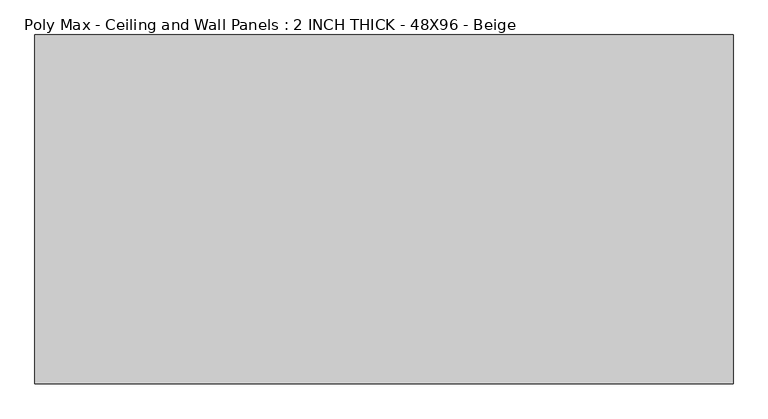
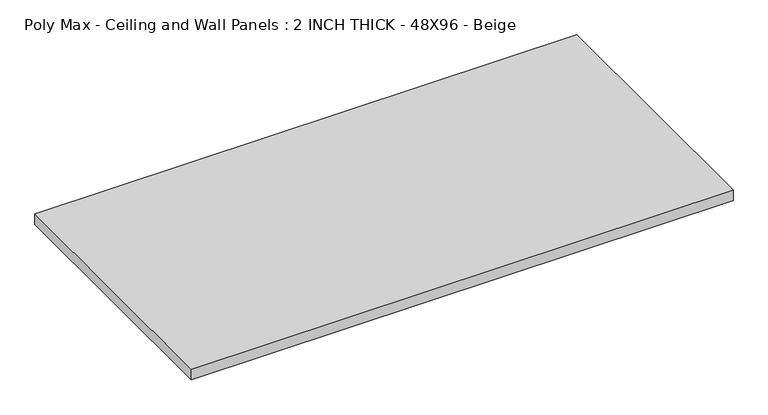
"""IFC4 building model written with IfcOpenShell, lengths in millimetres: proxy geometry, Poly Max - Ceiling and Wall Panels : 2 INCH THICK - 48X96 - Beige."""

from ifc_helpers import new_model, si_unit, origin, origin_with_axes, place, context, project, spatial, polyline, outline, extrude, source, transform, mapped, element, save


def poly_max_ceiling_and_wall_panels_2_inch_thick_48x96_beige_53a8713e(model_context):
    return source(origin(), model_context, "Body", "SweptSolid", [
        extrude(outline(polyline([(-1219.2, 609.6), (1219.2, 609.6), (1219.2, -609.6), (-1219.2, -609.6), (-1219.2, 609.6)])), origin_with_axes(), (0.0, 0.0, 1.0), 50.8),
    ])


if __name__ == "__main__":
    model = new_model("IFC4")
    model_context = context("Model", 3, world=origin())
    ifc_project = project(units=[si_unit("LENGTHUNIT", "METRE", prefix="MILLI")], contexts=[model_context])
    site = spatial("IfcSite", under=ifc_project)
    building = spatial("IfcBuilding", under=site)
    placement = place(None, origin())
    poly_max_ceiling_and_wall_panels_2_inch_thick_48x96_beige_shape = poly_max_ceiling_and_wall_panels_2_inch_thick_48x96_beige_53a8713e(model_context)
    element("IfcBuildingElementProxy", 1, Name="Poly Max - Ceiling and Wall Panels : 2 INCH THICK - 48X96 - Beige", ObjectType="Poly Max - Ceiling and Wall Panels : 2 INCH THICK - 48X96 - Beige", at=placement, inside=building, context=model_context, shape_type="MappedRepresentation", body=[
        mapped(poly_max_ceiling_and_wall_panels_2_inch_thick_48x96_beige_shape, transform((0.0, 0.0, 0.0), x_axis=(1.0, 0.0, 0.0), y_axis=(0.0, 1.0, 0.0), z_axis=(0.0, 0.0, 1.0))),
    ])
    save(model, "model.ifc")
